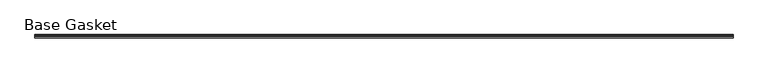
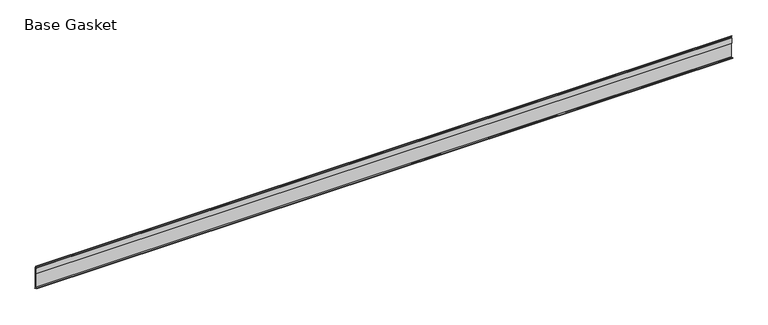
"""IFC4 building model written with IfcOpenShell, lengths in millimetres: furniture geometry, Base Gasket."""

from ifc_helpers import new_model, si_unit, frame, origin, place, context, project, spatial, polyline, outline, extrude, source, transform, mapped, element, save


def base_gasket_8243cc3e(model_context):
    return source(origin(), model_context, "Body", "SweptSolid", [
        extrude(outline(polyline([(3.7283812, 98.4568417), (3.7283812, 4.3498477), (7.4222115, 0.6560174), (7.8482342, 0.0), (6.8281054, 0.3520979), (2.2043812, 4.3498477), (2.1334222, 6.3818476), (-6.2405171, 6.3818476), (-6.2405171, 7.9398773), (2.2043812, 7.9398773), (2.2043812, 71.4693447), (1.4106313, 71.4693447), (1.4106313, 96.8693477), (2.2043812, 96.8693477), (2.2043812, 98.4568417), (0.6755308, 104.4162708), (0.6755308, 105.2002997), (1.1891543, 104.587663), (3.7283812, 98.4568417)])), frame((-1527.8982117, 0.0, 0.0), z_axis=(1.0, 0.0, 0.0), x_axis=(0.0, 1.0, 0.0)), (0.0, 0.0, 1.0), 3051.2721414),
    ])


if __name__ == "__main__":
    model = new_model("IFC4")
    model_context = context("Model", 3, world=origin())
    ifc_project = project(units=[si_unit("LENGTHUNIT", "METRE", prefix="MILLI")], contexts=[model_context])
    site = spatial("IfcSite", under=ifc_project)
    building = spatial("IfcBuilding", under=site)
    placement = place(None, origin())
    base_gasket_shape = base_gasket_8243cc3e(model_context)
    element("IfcFurniture", 1, ObjectType="Base Gasket", at=placement, inside=building, context=model_context, shape_type="MappedRepresentation", body=[
        mapped(base_gasket_shape, transform((0.0, 0.0, 0.0), x_axis=(1.0, 0.0, 0.0), y_axis=(0.0, 1.0, 0.0), z_axis=(0.0, 0.0, 1.0))),
    ])
    save(model, "model.ifc")
